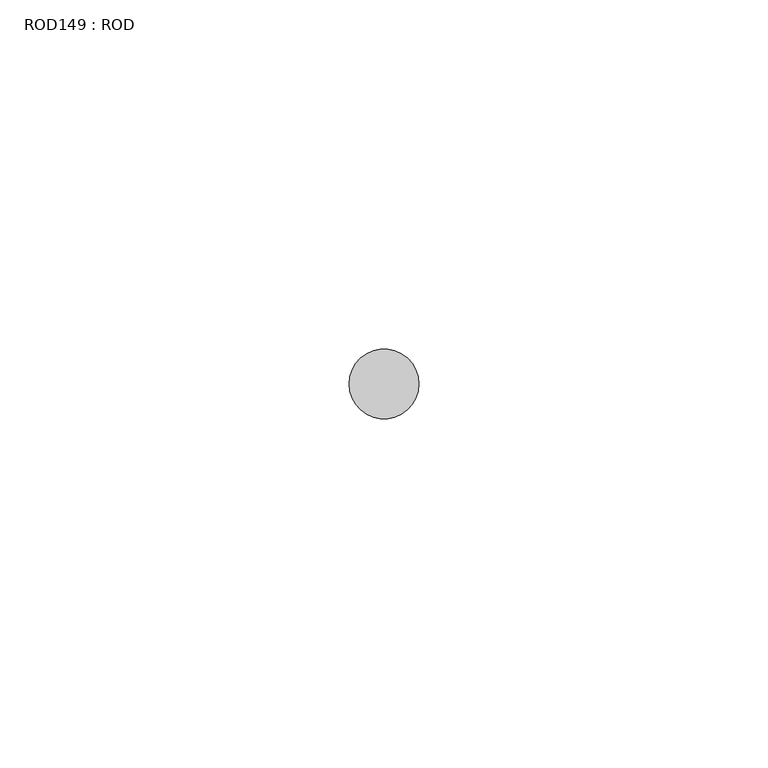
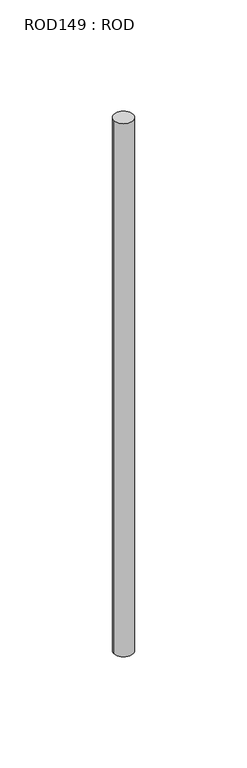
"""IFC4 building model written with IfcOpenShell, lengths in millimetres: proxy geometry, ROD149 : ROD."""

from ifc_helpers import new_model, si_unit, point, frame, frame_2d, origin, place, context, project, spatial, circle_curve, trimmed, segment, composite_curve, outline, extrude, source, transform, mapped, element, save


def rod149_rod_5ce8bee2(model_context):
    return source(origin(), model_context, "Body", "SweptSolid", [
        extrude(outline(composite_curve([segment(trimmed(circle_curve(frame_2d((-4400.2326676, -21766.6028424)), 5.0), [point((-4405.2326676, -21766.6028424))], [point((-4395.2326676, -21766.6028424))], False, "CARTESIAN"), True, "CONTINUOUS"), segment(trimmed(circle_curve(frame_2d((-4400.2326676, -21766.6028424)), 5.0), [point((-4395.2326676, -21766.6028424))], [point((-4405.2326676, -21766.6028424))], False, "CARTESIAN"), True, "CONTINUOUS")], self_intersect=False)), frame((0.0, 0.0, 166.3391155), z_axis=(0.0, 0.0, 1.0), x_axis=(1.0, 0.0, 0.0)), (0.0, 0.0, 1.0), 298.9028972),
    ])


if __name__ == "__main__":
    model = new_model("IFC4")
    model_context = context("Model", 3, world=origin())
    ifc_project = project(units=[si_unit("LENGTHUNIT", "METRE", prefix="MILLI")], contexts=[model_context])
    site = spatial("IfcSite", under=ifc_project)
    building = spatial("IfcBuilding", under=site)
    placement = place(None, origin())
    rod149_rod_shape = rod149_rod_5ce8bee2(model_context)
    element("IfcBuildingElementProxy", 1, Name="ROD149 : ROD", ObjectType="ROD149 : ROD", at=placement, inside=building, context=model_context, shape_type="MappedRepresentation", body=[
        mapped(rod149_rod_shape, transform((0.0, 0.0, 0.0), x_axis=(1.0, 0.0, 0.0), y_axis=(0.0, 1.0, 0.0), z_axis=(0.0, 0.0, 1.0))),
    ])
    save(model, "model.ifc")
